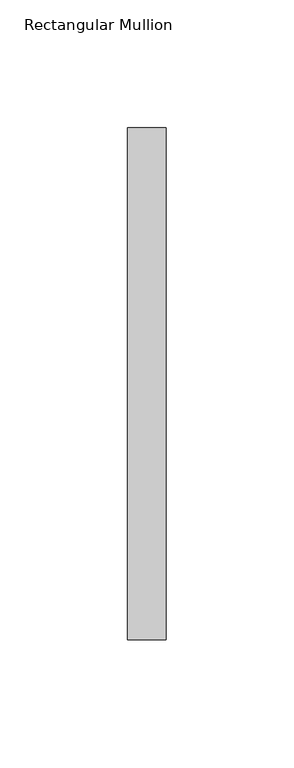
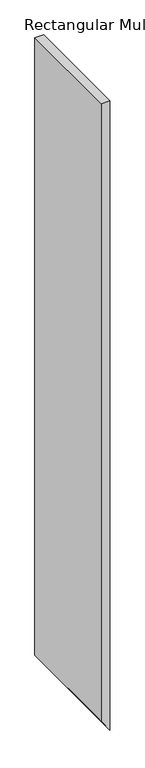
"""IFC4 building model written with IfcOpenShell, lengths in millimetres: member geometry, Rectangular Mullion."""

from ifc_helpers import new_model, si_unit, frame, origin, place, context, project, spatial, polyline, outline, extrude, source, transform, mapped, element, save


def rectangular_mullion_eb7d7386(model_context):
    return source(origin(), model_context, "Body", "SweptSolid", [
        extrude(outline(polyline([(0.0, 0.0), (0.0, -15.0), (-1137.3405895, -15.0), (-1159.2543859, 0.0), (0.0, 0.0)])), frame((0.0, -253.0, 0.0), z_axis=(0.0, 1.0, 0.0), x_axis=(0.0, 0.0, 1.0)), (0.0, 0.0, 1.0), 200.0),
    ])


if __name__ == "__main__":
    model = new_model("IFC4")
    model_context = context("Model", 3, world=origin())
    ifc_project = project(units=[si_unit("LENGTHUNIT", "METRE", prefix="MILLI")], contexts=[model_context])
    site = spatial("IfcSite", under=ifc_project)
    building = spatial("IfcBuilding", under=site)
    placement = place(None, origin())
    rectangular_mullion_shape = rectangular_mullion_eb7d7386(model_context)
    element("IfcMember", 1, ObjectType="Rectangular Mullion", at=placement, inside=building, context=model_context, shape_type="MappedRepresentation", body=[
        mapped(rectangular_mullion_shape, transform((0.0, 0.0, 0.0), x_axis=(1.0, 0.0, 0.0), y_axis=(0.0, 1.0, 0.0), z_axis=(0.0, 0.0, 1.0))),
    ])
    save(model, "model.ifc")
